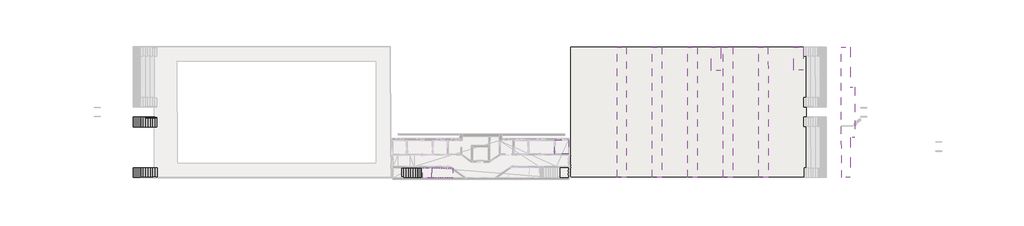
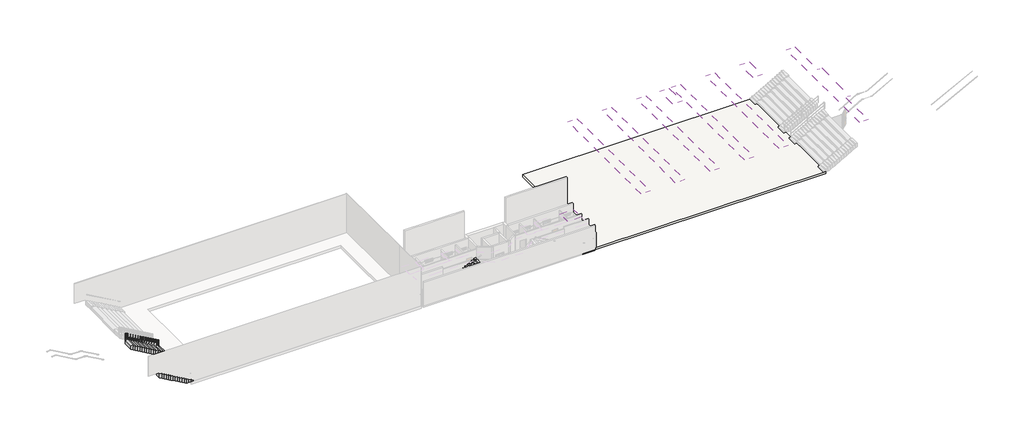
# One storey, part 3 of 6: 9 coverings, 4 stair flights, 3 slabs, 1 railing.
"""IFC4 building model written with IfcOpenShell, lengths in millimetres."""

from ifc_helpers import new_model, si_unit, frame, origin, place, context, project, spatial, polyline, circle_curve, ellipse_curve, outline, extrude, faceted_brep, element, save
from ifc_brep_helpers import plane_surface, cylinder_surface, advanced_brep

model = new_model("IFC4")

# Units and contexts
model_context = context("Model", 3, world=origin())
ifc_project = project(units=[si_unit("LENGTHUNIT", "METRE", prefix="MILLI")], contexts=[model_context])

# Site, building, storey
site = spatial("IfcSite", under=ifc_project)
building = spatial("IfcBuilding", under=site)
storey = spatial("IfcBuildingStorey", under=building, Elevation=-9747.0673671)

# Coverings
placement = place(None, origin())
element("IfcCovering", 1, at=placement, inside=storey, context=model_context, shape_type="SweptSolid", body=[
    extrude(outline(polyline([(9604.2964064, -35794.635372), (11407.055227, -35791.6307005), (11407.1770309, -37599.6399484), (9607.3896874, -37602.2938513), (9604.2964064, -35794.635372)])), frame((0.0, 0.0, -7197.0673671), z_axis=(0.0, 0.0, 1.0), x_axis=(1.0, 0.0, 0.0)), (0.0, 0.0, 1.0), 50.0),
])
element("IfcCovering", 2, at=placement, inside=storey, context=model_context, shape_type="SweptSolid", body=[
    extrude(outline(polyline([(41718.2340191, -23722.671729), (41720.6198538, -26741.2388566), (40495.8194962, -26741.2388566), (40493.4340635, -23723.1802988), (41718.2340191, -23722.671729)])), frame((0.0, 0.0, -4337.0673671), z_axis=(0.0, 0.0, 1.0), x_axis=(1.0, 0.0, 0.0)), (0.0, 0.0, 1.0), 50.0),
])
element("IfcCovering", 3, at=placement, inside=storey, context=model_context, shape_type="SweptSolid", body=[
    extrude(outline(polyline([(47805.875153, -23717.6291353), (47795.9821213, -28912.4101596), (48378.2216064, -28915.8953061), (48363.8393113, -35431.6142951), (47783.5569186, -35436.8214123), (47773.6715633, -40627.5716182), (46662.490037, -40626.1968375), (46644.2007947, -23720.3357574), (47805.875153, -23717.6291353)])), frame((0.0, 0.0, -4417.0673671), z_axis=(0.0, 0.0, 1.0), x_axis=(1.0, 0.0, 0.0)), (0.0, 0.0, 1.0), 50.0),
])
element("IfcCovering", 4, at=placement, inside=storey, context=model_context, shape_type="SweptSolid", body=[
    extrude(outline(polyline([(37148.3012067, -23724.5692876), (37177.2689962, -40615.4201438), (35952.4649623, -40614.0325039), (35923.5004248, -23725.0778577), (37148.3012067, -23724.5692876)])), frame((0.0, 0.0, -4337.0673671), z_axis=(0.0, 0.0, 1.0), x_axis=(1.0, 0.0, 0.0)), (0.0, 0.0, 1.0), 50.0),
])
element("IfcCovering", 5, at=placement, inside=storey, context=model_context, shape_type="SweptSolid", body=[
    extrude(outline(polyline([(32578.9111762, -23726.4666208), (32596.5846101, -40610.2304641), (31358.5375516, -40608.8278204), (31354.1137425, -23726.9751895), (32578.9111762, -23726.4666208)])), frame((0.0, 0.0, -4337.0673671), z_axis=(0.0, 0.0, 1.0), x_axis=(1.0, 0.0, 0.0)), (0.0, 0.0, 1.0), 50.0),
])
element("IfcCovering", 6, at=placement, inside=storey, context=model_context, shape_type="SweptSolid", body=[
    extrude(outline(polyline([(31054.1137648, -23727.0997575), (31054.9153977, -26786.2388566), (29828.1289397, -26786.2388566), (29824.9587653, -23727.6101356), (31054.1137648, -23727.0997575)])), frame((0.0, 0.0, -4337.0673671), z_axis=(0.0, 0.0, 1.0), x_axis=(1.0, 0.0, 0.0)), (0.0, 0.0, 1.0), 50.0),
])
element("IfcCovering", 7, at=placement, inside=storey, context=model_context, shape_type="SweptSolid", body=[
    extrude(outline(polyline([(27990.3717585, -23728.3719053), (28015.4386997, -40605.0402614), (26781.0551673, -40603.6417683), (26767.4653832, -23728.8796888), (27990.3717585, -23728.3719053)])), frame((0.0, 0.0, -4337.0673671), z_axis=(0.0, 0.0, 1.0), x_axis=(1.0, 0.0, 0.0)), (0.0, 0.0, 1.0), 50.0),
])
element("IfcCovering", 8, at=placement, inside=storey, context=model_context, shape_type="SweptSolid", body=[
    extrude(outline(polyline([(23426.6072494, -23730.2669026), (23431.0278424, -40599.8463597), (22188.8402664, -40598.4390251), (22190.9864177, -23730.7799655), (23426.6072494, -23730.2669026)])), frame((0.0, 0.0, -4337.0673671), z_axis=(0.0, 0.0, 1.0), x_axis=(1.0, 0.0, 0.0)), (0.0, 0.0, 1.0), 50.0),
])
element("IfcCovering", 9, at=placement, inside=storey, context=model_context, shape_type="SweptSolid", body=[
    extrude(outline(polyline([(18841.3024787, -23732.1708441), (18839.1569873, -40594.6440062), (17635.4777805, -40593.2802996), (17628.6205639, -23732.6743821), (18841.3024787, -23732.1708441)])), frame((0.0, 0.0, -4337.0673671), z_axis=(0.0, 0.0, 1.0), x_axis=(1.0, 0.0, 0.0)), (0.0, 0.0, 1.0), 50.0),
])

# Railing
element("IfcRailing", 10, at=placement, inside=storey, context=model_context, shape_type="AdvancedBrep", body=[
    advanced_brep(
    [(-42031.0162516, -32898.9733784, -8614.6159155), (-42031.278202, -32938.9725207, -8614.6159155), (-46393.9267352, -32870.4011057, -6170.0), (-46394.1886857, -32910.400248, -6170.0), (-46457.8998418, -32869.9821521, -6170.0), (-46458.1617923, -32909.9812944, -6170.0)],
    [
        (0, 1, ellipse_curve(frame((-42031.1472268, -32918.9729496, -8614.6159155), z_axis=(0.9999785566317163, -0.006548761466820562, 0.0), x_axis=(0.0, 0.0, -1.0)), 22.9254657, 20.0)),
        (1, 0, ellipse_curve(frame((-42031.1472268, -32918.9729496, -8614.6159155), z_axis=(0.9999785566317163, -0.006548761466820562, 0.0), x_axis=(0.0, 0.0, -1.0)), 22.9254657, 20.0)),
        (0, 2),
        (2, 3, ellipse_curve(frame((-46394.0577105, -32890.4006768, -6170.0), z_axis=(0.9675515515624058, -0.006336400191780274, -0.2525942301435071), x_axis=(-0.252588813672405, 0.0016541793610400299, -0.9675722995715661)), 20.67029, 20.0)),
        (3, 1),
        (3, 2, ellipse_curve(frame((-46394.0577105, -32890.4006768, -6170.0), z_axis=(0.9675515515624058, -0.006336400191780274, -0.2525942301435071), x_axis=(-0.252588813672405, 0.0016541793610400299, -0.9675722995715661)), 20.67029, 20.0)),
        (4, 5, circle_curve(frame((-46458.030817, -32889.9817232, -6170.0), z_axis=(-0.9999785566317165, 0.006548761466787735, 0.0), x_axis=(-0.006548761466787735, -0.9999785566317165, 0.0)), 20.0)),
        (5, 4, circle_curve(frame((-46458.030817, -32889.9817232, -6170.0), z_axis=(-0.9999785566317165, 0.006548761466787735, 0.0), x_axis=(-0.006548761466787735, -0.9999785566317165, 0.0)), 20.0)),
        (2, 4),
        (5, 3),
    ],
    [
        plane_surface(frame((-42031.1472268, -32918.9729496, -8614.6159155), z_axis=(0.9999785566317163, -0.006548761466820562, 0.0), x_axis=(0.006548761466820562, 0.9999785566317163, 0.0))),
        cylinder_surface(frame((-42031.1472268, -32918.9729496, -8614.6159155), z_axis=(0.8723736027668312, -0.00571308914234537, -0.48880636023692525), x_axis=(-0.006548761466820565, -0.9999785566317163, 0.0)), 20.0),
        plane_surface(frame((-46458.030817, -32889.9817232, -6170.0), z_axis=(-0.9999785566317166, 0.0065487614667877345, 0.0), x_axis=(0.0065487614667877345, 0.9999785566317166, 0.0))),
        cylinder_surface(frame((-46394.0577105, -32890.4006768, -6170.0), z_axis=(0.9999785566317165, -0.006548761466787735, 0.0), x_axis=(-0.006548761466787735, -0.9999785566317165, 0.0)), 20.0),
    ],
    [
        (0, [[1, 2]]),
        (1, [[-1, 3, 4, 5]]),
        (1, [[-2, -5, 6, -3]]),
        (2, [[7, 8]]),
        (3, [[-4, 9, -8, 10]]),
        (3, [[-6, -10, -7, -9]]),
    ],
),
    advanced_brep(
    [(-42031.278202, -32938.9725207, -8814.6159155), (-42031.0162516, -32898.9733784, -8814.6159155), (-46394.1886857, -32910.400248, -6370.0), (-46393.9267352, -32870.4011057, -6370.0), (-46458.1617923, -32909.9812944, -6370.0), (-46457.8998418, -32869.9821521, -6370.0)],
    [
        (0, 1, ellipse_curve(frame((-42031.1472268, -32918.9729496, -8814.6159155), z_axis=(0.9999785566317163, -0.006548761466820562, 0.0), x_axis=(0.0, 0.0, -1.0)), 22.9254657, 20.0)),
        (1, 0, ellipse_curve(frame((-42031.1472268, -32918.9729496, -8814.6159155), z_axis=(0.9999785566317163, -0.006548761466820562, 0.0), x_axis=(0.0, 0.0, -1.0)), 22.9254657, 20.0)),
        (0, 2),
        (2, 3, ellipse_curve(frame((-46394.0577105, -32890.4006768, -6370.0), z_axis=(0.9675515515624058, -0.006336400191780274, -0.2525942301435071), x_axis=(-0.252588813672405, 0.0016541793610400299, -0.9675722995715661)), 20.67029, 20.0)),
        (3, 1),
        (3, 2, ellipse_curve(frame((-46394.0577105, -32890.4006768, -6370.0), z_axis=(0.9675515515624058, -0.006336400191780274, -0.2525942301435071), x_axis=(-0.252588813672405, 0.0016541793610400299, -0.9675722995715661)), 20.67029, 20.0)),
        (4, 5, circle_curve(frame((-46458.030817, -32889.9817232, -6370.0), z_axis=(-0.9999785566317165, 0.006548761466787735, 0.0), x_axis=(0.006548761466787735, 0.9999785566317165, 0.0)), 20.0)),
        (5, 4, circle_curve(frame((-46458.030817, -32889.9817232, -6370.0), z_axis=(-0.9999785566317165, 0.006548761466787735, 0.0), x_axis=(0.006548761466787735, 0.9999785566317165, 0.0)), 20.0)),
        (2, 4),
        (5, 3),
    ],
    [
        plane_surface(frame((-42031.1472268, -32918.9729496, -8814.6159155), z_axis=(0.9999785566317163, -0.006548761466820562, 0.0), x_axis=(0.006548761466820562, 0.9999785566317163, 0.0))),
        cylinder_surface(frame((-42031.1472268, -32918.9729496, -8814.6159155), z_axis=(0.8723736027668312, -0.00571308914234537, -0.48880636023692525), x_axis=(0.006548761466820565, 0.9999785566317163, 0.0)), 20.0),
        plane_surface(frame((-46458.030817, -32889.9817232, -6370.0), z_axis=(-0.9999785566317166, 0.0065487614667877345, 0.0), x_axis=(0.0065487614667877345, 0.9999785566317166, 0.0))),
        cylinder_surface(frame((-46394.0577105, -32890.4006768, -6370.0), z_axis=(0.9999785566317165, -0.006548761466787735, 0.0), x_axis=(0.006548761466787735, 0.9999785566317165, 0.0)), 20.0),
    ],
    [
        (0, [[1, 2]]),
        (1, [[-1, 3, 4, 5]]),
        (1, [[-2, -5, 6, -3]]),
        (2, [[7, 8]]),
        (3, [[-4, 9, -8, 10]]),
        (3, [[-6, -10, -7, -9]]),
    ],
),
    advanced_brep(
    [(-42031.278202, -32938.9725207, -9064.6159155), (-42031.0162516, -32898.9733784, -9064.6159155), (-46394.1886857, -32910.400248, -6620.0), (-46393.9267352, -32870.4011057, -6620.0), (-46458.1617923, -32909.9812944, -6620.0), (-46457.8998418, -32869.9821521, -6620.0)],
    [
        (0, 1, ellipse_curve(frame((-42031.1472268, -32918.9729496, -9064.6159155), z_axis=(0.9999785566317163, -0.006548761466820562, 0.0), x_axis=(0.0, 0.0, -1.0)), 22.9254657, 20.0)),
        (1, 0, ellipse_curve(frame((-42031.1472268, -32918.9729496, -9064.6159155), z_axis=(0.9999785566317163, -0.006548761466820562, 0.0), x_axis=(0.0, 0.0, -1.0)), 22.9254657, 20.0)),
        (0, 2),
        (2, 3, ellipse_curve(frame((-46394.0577105, -32890.4006768, -6620.0), z_axis=(0.9675515515624058, -0.006336400191780274, -0.2525942301435071), x_axis=(-0.252588813672405, 0.0016541793610400299, -0.9675722995715661)), 20.67029, 20.0)),
        (3, 1),
        (3, 2, ellipse_curve(frame((-46394.0577105, -32890.4006768, -6620.0), z_axis=(0.9675515515624058, -0.006336400191780274, -0.2525942301435071), x_axis=(-0.252588813672405, 0.0016541793610400299, -0.9675722995715661)), 20.67029, 20.0)),
        (4, 5, circle_curve(frame((-46458.030817, -32889.9817232, -6620.0), z_axis=(-0.9999785566317165, 0.006548761466787735, 0.0), x_axis=(0.006548761466787735, 0.9999785566317165, 0.0)), 20.0)),
        (5, 4, circle_curve(frame((-46458.030817, -32889.9817232, -6620.0), z_axis=(-0.9999785566317165, 0.006548761466787735, 0.0), x_axis=(0.006548761466787735, 0.9999785566317165, 0.0)), 20.0)),
        (2, 4),
        (5, 3),
    ],
    [
        plane_surface(frame((-42031.1472268, -32918.9729496, -9064.6159155), z_axis=(0.9999785566317163, -0.006548761466820562, 0.0), x_axis=(0.006548761466820562, 0.9999785566317163, 0.0))),
        cylinder_surface(frame((-42031.1472268, -32918.9729496, -9064.6159155), z_axis=(0.8723736027668312, -0.00571308914234537, -0.48880636023692525), x_axis=(0.006548761466820565, 0.9999785566317163, 0.0)), 20.0),
        plane_surface(frame((-46458.030817, -32889.9817232, -6620.0), z_axis=(-0.9999785566317166, 0.0065487614667877345, 0.0), x_axis=(0.0065487614667877345, 0.9999785566317166, 0.0))),
        cylinder_surface(frame((-46394.0577105, -32890.4006768, -6620.0), z_axis=(0.9999785566317165, -0.006548761466787735, 0.0), x_axis=(0.006548761466787735, 0.9999785566317165, 0.0)), 20.0),
    ],
    [
        (0, [[1, 2]]),
        (1, [[-1, 3, 4, 5]]),
        (1, [[-2, -5, 6, -3]]),
        (2, [[7, 8]]),
        (3, [[-4, 9, -8, 10]]),
        (3, [[-6, -10, -7, -9]]),
    ],
),
    advanced_brep(
    [(-42031.278202, -32938.9725207, -9284.6159155), (-42031.0162516, -32898.9733784, -9284.6159155), (-46394.1886857, -32910.400248, -6840.0), (-46393.9267352, -32870.4011057, -6840.0), (-46458.1617923, -32909.9812944, -6840.0), (-46457.8998418, -32869.9821521, -6840.0)],
    [
        (0, 1, ellipse_curve(frame((-42031.1472268, -32918.9729496, -9284.6159155), z_axis=(0.9999785566317163, -0.006548761466820562, 0.0), x_axis=(0.0, 0.0, -1.0)), 22.9254657, 20.0)),
        (1, 0, ellipse_curve(frame((-42031.1472268, -32918.9729496, -9284.6159155), z_axis=(0.9999785566317163, -0.006548761466820562, 0.0), x_axis=(0.0, 0.0, -1.0)), 22.9254657, 20.0)),
        (0, 2),
        (2, 3, ellipse_curve(frame((-46394.0577105, -32890.4006768, -6840.0), z_axis=(0.9675515515624058, -0.006336400191780274, -0.2525942301435071), x_axis=(-0.252588813672405, 0.0016541793610400299, -0.9675722995715661)), 20.67029, 20.0)),
        (3, 1),
        (3, 2, ellipse_curve(frame((-46394.0577105, -32890.4006768, -6840.0), z_axis=(0.9675515515624058, -0.006336400191780274, -0.2525942301435071), x_axis=(-0.252588813672405, 0.0016541793610400299, -0.9675722995715661)), 20.67029, 20.0)),
        (4, 5, circle_curve(frame((-46458.030817, -32889.9817232, -6840.0), z_axis=(-0.9999785566317165, 0.006548761466787735, 0.0), x_axis=(0.006548761466787735, 0.9999785566317165, 0.0)), 20.0)),
        (5, 4, circle_curve(frame((-46458.030817, -32889.9817232, -6840.0), z_axis=(-0.9999785566317165, 0.006548761466787735, 0.0), x_axis=(0.006548761466787735, 0.9999785566317165, 0.0)), 20.0)),
        (2, 4),
        (5, 3),
    ],
    [
        plane_surface(frame((-42031.1472268, -32918.9729496, -9284.6159155), z_axis=(0.9999785566317163, -0.006548761466820562, 0.0), x_axis=(0.006548761466820562, 0.9999785566317163, 0.0))),
        cylinder_surface(frame((-42031.1472268, -32918.9729496, -9284.6159155), z_axis=(0.8723736027668312, -0.00571308914234537, -0.48880636023692525), x_axis=(0.006548761466820565, 0.9999785566317163, 0.0)), 20.0),
        plane_surface(frame((-46458.030817, -32889.9817232, -6840.0), z_axis=(-0.9999785566317166, 0.0065487614667877345, 0.0), x_axis=(0.0065487614667877345, 0.9999785566317166, 0.0))),
        cylinder_surface(frame((-46394.0577105, -32890.4006768, -6840.0), z_axis=(0.9999785566317165, -0.006548761466787735, 0.0), x_axis=(0.006548761466787735, 0.9999785566317165, 0.0)), 20.0),
    ],
    [
        (0, [[1, 2]]),
        (1, [[-1, 3, 4, 5]]),
        (1, [[-2, -5, 6, -3]]),
        (2, [[7, 8]]),
        (3, [[-4, 9, -8, 10]]),
        (3, [[-6, -10, -7, -9]]),
    ],
),
    advanced_brep(
    [(-44244.4580953, -32884.485187, -7397.3107919), (-44244.4580953, -32884.485187, -8483.5336835), (-44264.5811713, -32904.3464098, -8483.5336835), (-44244.7199485, -32924.4694858, -8483.5336835), (-44244.7199485, -32924.4694858, -7397.3107919), (-44264.5811713, -32904.3464098, -7386.1088369), (-44224.5968725, -32904.608263, -7408.5127468), (-44224.5968725, -32904.608263, -8483.5336835)],
    [
        (0, 1),
        (1, 2, circle_curve(frame((-44244.5890219, -32904.4773364, -8483.5336835), z_axis=(0.0, 0.0, 1.0), x_axis=(-0.006548761466821359, -0.9999785566317163, 0.0)), 19.9925781)),
        (2, 3, circle_curve(frame((-44244.5890219, -32904.4773364, -8483.5336835), z_axis=(0.0, 0.0, 1.0), x_axis=(-0.006548761466821359, -0.9999785566317163, 0.0)), 19.9925781)),
        (3, 4),
        (4, 5, ellipse_curve(frame((-44244.5890219, -32904.4773364, -7397.3107919), z_axis=(-0.4887958785821217, 0.003201076256656766, -0.8723923097964189), x_axis=(-0.8723736027668322, 0.00571308914234607, 0.4888063602369233)), 22.9169582, 19.9925781)),
        (5, 0, ellipse_curve(frame((-44244.5890219, -32904.4773364, -7397.3107919), z_axis=(-0.4887958785821217, 0.003201076256656766, -0.8723923097964189), x_axis=(-0.8723736027668322, 0.00571308914234607, 0.4888063602369233)), 22.9169582, 19.9925781)),
        (0, 6, ellipse_curve(frame((-44244.5890219, -32904.4773364, -7397.3107919), z_axis=(-0.4887958785821217, 0.003201076256656766, -0.8723923097964189), x_axis=(-0.8723736027668322, 0.00571308914234607, 0.4888063602369233)), 22.9169582, 19.9925781)),
        (6, 4, ellipse_curve(frame((-44244.5890219, -32904.4773364, -7397.3107919), z_axis=(-0.4887958785821217, 0.003201076256656766, -0.8723923097964189), x_axis=(-0.8723736027668322, 0.00571308914234607, 0.4888063602369233)), 22.9169582, 19.9925781)),
        (3, 7, circle_curve(frame((-44244.5890219, -32904.4773364, -8483.5336835), z_axis=(0.0, 0.0, 1.0), x_axis=(-0.006548761466821359, -0.9999785566317163, 0.0)), 19.9925781)),
        (7, 1, circle_curve(frame((-44244.5890219, -32904.4773364, -8483.5336835), z_axis=(0.0, 0.0, 1.0), x_axis=(-0.006548761466821359, -0.9999785566317163, 0.0)), 19.9925781)),
    ],
    [
        cylinder_surface(frame((-44244.5890219, -32904.4773364, -8712.1336835), z_axis=(0.0, 0.0, 1.0), x_axis=(-0.006548761466821359, -0.9999785566317163, 0.0)), 19.9925781),
        plane_surface(frame((-44264.712098, -32924.3385592, -7386.1088369), z_axis=(0.4887958785821217, -0.003201076256656766, 0.8723923097964189), x_axis=(0.006548761466821359, 0.9999785566317163, 0.0))),
        plane_surface(frame((-44224.7277991, -32924.6004124, -8483.5336835), z_axis=(0.0, 0.0, -1.0), x_axis=(0.006548761466821359, 0.9999785566317163, 0.0))),
    ],
    [
        (0, [[1, 2, 3, 4, 5, 6]]),
        (0, [[-1, 7, 8, -4, 9, 10]]),
        (1, [[-6, -5, -8, -7]]),
        (2, [[-2, -10, -9, -3]]),
    ],
),
    advanced_brep(
    [(-46457.8998904, -32869.9895738, -6190.0), (-46457.8998904, -32869.9895738, -7120.0), (-46478.0229664, -32889.8507966, -7120.0), (-46458.1617437, -32909.9738726, -7120.0), (-46458.1617437, -32909.9738726, -6190.0), (-46478.0229664, -32889.8507966, -6190.0), (-46438.0386676, -32890.1126499, -6190.0), (-46438.0386676, -32890.1126499, -7120.0)],
    [
        (0, 1),
        (1, 2, circle_curve(frame((-46458.030817, -32889.9817232, -7120.0), z_axis=(0.0, 0.0, 1.0), x_axis=(-0.006548761466821359, -0.9999785566317163, 0.0)), 19.9925781)),
        (2, 3, circle_curve(frame((-46458.030817, -32889.9817232, -7120.0), z_axis=(0.0, 0.0, 1.0), x_axis=(-0.006548761466821359, -0.9999785566317163, 0.0)), 19.9925781)),
        (3, 4),
        (4, 5, circle_curve(frame((-46458.030817, -32889.9817232, -6190.0), z_axis=(0.0, 0.0, -1.0), x_axis=(-0.006548761466821359, -0.9999785566317163, 0.0)), 19.9925781)),
        (5, 0, circle_curve(frame((-46458.030817, -32889.9817232, -6190.0), z_axis=(0.0, 0.0, -1.0), x_axis=(-0.006548761466821359, -0.9999785566317163, 0.0)), 19.9925781)),
        (0, 6, circle_curve(frame((-46458.030817, -32889.9817232, -6190.0), z_axis=(0.0, 0.0, -1.0), x_axis=(-0.006548761466821359, -0.9999785566317163, 0.0)), 19.9925781)),
        (6, 4, circle_curve(frame((-46458.030817, -32889.9817232, -6190.0), z_axis=(0.0, 0.0, -1.0), x_axis=(-0.006548761466821359, -0.9999785566317163, 0.0)), 19.9925781)),
        (3, 7, circle_curve(frame((-46458.030817, -32889.9817232, -7120.0), z_axis=(0.0, 0.0, 1.0), x_axis=(-0.006548761466821359, -0.9999785566317163, 0.0)), 19.9925781)),
        (7, 1, circle_curve(frame((-46458.030817, -32889.9817232, -7120.0), z_axis=(0.0, 0.0, 1.0), x_axis=(-0.006548761466821359, -0.9999785566317163, 0.0)), 19.9925781)),
    ],
    [
        cylinder_surface(frame((-46458.030817, -32889.9817232, -7348.6), z_axis=(0.0, 0.0, 1.0), x_axis=(-0.006548761466821359, -0.9999785566317163, 0.0)), 19.9925781),
        plane_surface(frame((-46478.1538931, -32909.842946, -6190.0), z_axis=(0.0, 0.0, 1.0), x_axis=(0.006548761466821359, 0.9999785566317163, 0.0))),
        plane_surface(frame((-46438.1695942, -32910.1047993, -7120.0), z_axis=(0.0, 0.0, -1.0), x_axis=(0.006548761466821359, 0.9999785566317163, 0.0))),
    ],
    [
        (0, [[1, 2, 3, 4, 5, 6]]),
        (0, [[-1, 7, 8, -4, 9, 10]]),
        (1, [[-6, -5, -8, -7]]),
        (2, [[-2, -10, -9, -3]]),
    ],
),
    advanced_brep(
    [(-42031.0163002, -32898.9808002, -8637.5413812), (-42031.0163002, -32898.9808002, -9676.6256566), (-42051.1393762, -32918.8420229, -9676.6256566), (-42031.2781534, -32938.965099, -9676.6256566), (-42031.2781534, -32938.965099, -8637.5413812), (-42051.1393762, -32918.8420229, -8626.3394262), (-42011.1550774, -32919.1038762, -8648.7433361), (-42011.1550774, -32919.1038762, -9676.6256566)],
    [
        (0, 1),
        (1, 2, circle_curve(frame((-42031.1472268, -32918.9729496, -9676.6256566), z_axis=(0.0, 0.0, 1.0), x_axis=(-0.006548761466821359, -0.9999785566317163, 0.0)), 19.9925781)),
        (2, 3, circle_curve(frame((-42031.1472268, -32918.9729496, -9676.6256566), z_axis=(0.0, 0.0, 1.0), x_axis=(-0.006548761466821359, -0.9999785566317163, 0.0)), 19.9925781)),
        (3, 4),
        (4, 5, ellipse_curve(frame((-42031.1472268, -32918.9729496, -8637.5413812), z_axis=(-0.4887958785821195, 0.003201076256656751, -0.8723923097964201), x_axis=(-0.8723736027668333, 0.005713089142346078, 0.4888063602369212)), 22.9169582, 19.9925781)),
        (5, 0, ellipse_curve(frame((-42031.1472268, -32918.9729496, -8637.5413812), z_axis=(-0.4887958785821195, 0.003201076256656751, -0.8723923097964201), x_axis=(-0.8723736027668333, 0.005713089142346078, 0.4888063602369212)), 22.9169582, 19.9925781)),
        (0, 6, ellipse_curve(frame((-42031.1472268, -32918.9729496, -8637.5413812), z_axis=(-0.4887958785821195, 0.003201076256656751, -0.8723923097964201), x_axis=(-0.8723736027668333, 0.005713089142346078, 0.4888063602369212)), 22.9169582, 19.9925781)),
        (6, 4, ellipse_curve(frame((-42031.1472268, -32918.9729496, -8637.5413812), z_axis=(-0.4887958785821195, 0.003201076256656751, -0.8723923097964201), x_axis=(-0.8723736027668333, 0.005713089142346078, 0.4888063602369212)), 22.9169582, 19.9925781)),
        (3, 7, circle_curve(frame((-42031.1472268, -32918.9729496, -9676.6256566), z_axis=(0.0, 0.0, 1.0), x_axis=(-0.006548761466821359, -0.9999785566317163, 0.0)), 19.9925781)),
        (7, 1, circle_curve(frame((-42031.1472268, -32918.9729496, -9676.6256566), z_axis=(0.0, 0.0, 1.0), x_axis=(-0.006548761466821359, -0.9999785566317163, 0.0)), 19.9925781)),
    ],
    [
        cylinder_surface(frame((-42031.1472268, -32918.9729496, -9905.2256566), z_axis=(0.0, 0.0, 1.0), x_axis=(-0.006548761466821359, -0.9999785566317163, 0.0)), 19.9925781),
        plane_surface(frame((-42051.2703028, -32938.8341724, -8626.3394262), z_axis=(0.4887958785821195, -0.003201076256656751, 0.8723923097964201), x_axis=(0.006548761466821359, 0.9999785566317163, 0.0))),
        plane_surface(frame((-42011.286004, -32939.0960256, -9676.6256566), z_axis=(0.0, 0.0, -1.0), x_axis=(0.006548761466821359, 0.9999785566317163, 0.0))),
    ],
    [
        (0, [[1, 2, 3, 4, 5, 6]]),
        (0, [[-1, 7, 8, -4, 9, 10]]),
        (1, [[-6, -5, -8, -7]]),
        (2, [[-2, -10, -9, -3]]),
    ],
),
])

# Slabs
element("IfcSlab", 11, at=placement, inside=storey, context=model_context, shape_type="SweptSolid", body=[
    extrude(outline(polyline([(42081.555864, -23722.520868), (42121.4934762, -40621.0216959), (11637.3782523, -40586.4847614), (11636.2429949, -23735.1625778), (42081.555864, -23722.520868)])), frame((0.0, 0.0, -10017.0673671), z_axis=(0.0, 0.0, 1.0), x_axis=(1.0, 0.0, 0.0)), (0.0, 0.0, 1.0), 300.0),
])
element("IfcSlab", 12, at=placement, inside=storey, context=model_context, shape_type="SweptSolid", body=[
    extrude(outline(polyline([(11407.2851476, -39204.4833372), (11407.3829946, -40656.8861299), (9836.0404921, -40658.038044), (9836.0404921, -39205.433996), (11407.2851476, -39204.4833372)])), frame((0.0, 0.0, -10017.0673671), z_axis=(0.0, 0.0, 1.0), x_axis=(1.0, 0.0, 0.0)), (0.0, 0.0, 1.0), 300.0),
])
element("IfcSlab", 13, ObjectType="7\" Thickness", at=placement, inside=storey, context=model_context, shape_type="Brep", body=[
    faceted_brep([(-7520.0930247, -39360.5953297, -8064.0336835), (-7520.0930247, -40676.3403344, -8064.0336835), (-7539.1430247, -40676.3403344, -8064.0336835), (-7539.1430247, -40680.4222804, -8064.0336835), (-6339.1430247, -40680.4222804, -8064.0336835), (-6320.0930247, -40680.4222804, -8064.0336835), (-6320.0930247, -39362.7170737, -8064.0336835), (-6339.1430247, -39362.7170737, -8064.0336835), (-6339.1430247, -39360.5953297, -8064.0336835), (-7128.3193151, -39360.5953297, -8064.0336835), (-6339.1430247, -39362.7170737, -8241.8336835), (-6339.1430247, -39360.5953297, -8241.8336835), (-7128.3193151, -40676.3403344, -8241.8336835), (-7128.3193151, -39360.5953297, -8241.8336835), (-6320.0930247, -39362.7170737, -8241.8336835), (-6320.0930247, -40680.4222804, -8241.8336835), (-6339.1430247, -40680.4222804, -8241.8336835), (-7539.1430247, -40680.4222804, -8241.8336835), (-7539.1430247, -40676.3403344, -8241.8336835), (-7520.0930247, -40676.3403344, -8241.8336835), (-7520.0930247, -40676.3403344, -8459.0113086), (-7520.0930247, -39360.5953297, -8459.0113086), (-7520.0930247, -39360.5953297, -8230.3370519), (-7520.0930247, -40676.3403344, -8230.3370519)], [[[0, 1, 2, 3, 4, 5, 6, 7, 8, 9]], [[8, 7, 10, 11]], [[12, 13, 11, 10, 14, 15, 16, 17, 18, 19]], [[13, 12, 20, 21]], [[12, 19, 20]], [[1, 0, 22, 21, 20, 19, 23]], [[3, 2, 18, 17]], [[21, 22, 0, 9, 8, 11, 13]], [[4, 3, 17, 16]], [[5, 4, 16, 15]], [[6, 5, 15, 14]], [[7, 6, 14, 10]], [[2, 1, 23, 19, 18]]]),
])

# Stair flights
element("IfcStairFlight", 14, at=placement, inside=storey, context=model_context, shape_type="Brep", body=[
    faceted_brep([(-42154.1649153, -34087.161185, -9576.6256566), (-41869.8736485, -34088.9920441, -9576.6256566), (-41869.8736485, -32830.0280422, -9576.6256566), (-42154.1530528, -32828.1663243, -9576.6256566), (-42154.1649153, -34087.161185, -9747.0673671), (-41869.8736485, -34088.9920441, -9747.0673671), (-41869.8736485, -32830.0280422, -9747.0673671), (-42154.1530528, -32828.1663243, -9747.0673671), (-42471.1236421, -34085.1199448, -9406.1839462), (-42154.1649153, -34087.161185, -9406.1839462), (-42154.1530528, -32828.1663243, -9406.1839462), (-42471.1236421, -32826.090515, -9406.1839462), (-42471.1236421, -34085.1199448, -9747.0673671), (-42471.1236421, -32826.090515, -9747.0673671), (-42746.7148951, -34083.3451145, -9235.7422357), (-42471.1236421, -34085.1199448, -9235.7422357), (-42471.1236421, -32826.090515, -9235.7422357), (-42746.7148951, -32824.2856949, -9235.7422357), (-42746.7148951, -34083.3451145, -9747.0673671), (-42746.7148951, -32824.2856949, -9747.0673671), (-43072.3736485, -34081.2478454, -9065.3005253), (-42746.7148951, -34083.3451145, -9065.3005253), (-42746.7148951, -32824.2856949, -9065.3005253), (-43072.3736485, -32822.1529877, -9065.3005253), (-43072.3736485, -34081.2478454, -9586.5332719), (-42787.2039107, -34083.0843619, -9747.0673671), (-42787.2039107, -32824.0205363, -9747.0673671), (-43072.3736485, -32822.1529877, -9586.5332719), (-43365.4052683, -34079.3606977, -8894.8588149), (-43072.3736485, -34081.2478454, -8894.8588149), (-43072.3736485, -32822.1529877, -8894.8588149), (-43365.4052683, -32820.2339524, -8894.8588149), (-43365.4052683, -34079.3606977, -9421.573391), (-43365.4052683, -32820.2339524, -9421.573391), (-43679.8736549, -34077.3354955, -8724.4171044), (-43365.4052683, -34079.3606977, -8724.4171044), (-43365.4052683, -32820.2339524, -8724.4171044), (-43679.8736549, -32818.1745297, -8724.4171044), (-43679.8736549, -34077.3354955, -9244.5458484), (-43679.8736549, -32818.1745297, -9244.5458484), (-43977.5290386, -34075.4185704, -8553.975394), (-43679.8736549, -34077.3354955, -8553.975394), (-43679.8736549, -32818.1745297, -8553.975394), (-43977.5290386, -32816.2252138, -8553.975394), (-43977.5290386, -34075.4185704, -9076.9830555), (-43977.5290386, -32816.2252138, -9076.9830555), (-44279.8736612, -34073.4714462, -8383.5336835), (-43977.5290386, -34075.4185704, -8383.5336835), (-43977.5290386, -32816.2252138, -8383.5336835), (-44279.8736612, -32814.2451886, -8383.5336835), (-44279.8736612, -34073.4714462, -8906.7804919), (-44279.8736612, -32814.2451886, -8906.7804919), (-44579.335314, -34071.5428886, -8213.0919731), (-44279.8736612, -34073.4714462, -8213.0919731), (-44279.8736612, -32814.2451886, -8213.0919731), (-44579.335314, -32812.2840436, -8213.0919731), (-44579.335314, -34071.5428886, -8738.2008738), (-44579.335314, -32812.2840436, -8738.2008738), (-44882.3736676, -34069.5912967, -8042.6502626), (-44579.335314, -34071.5428886, -8042.6502626), (-44579.335314, -32812.2840436, -8042.6502626), (-44882.3736676, -32810.2994751, -8042.6502626), (-44882.3736676, -34069.5912967, -8567.6077797), (-44882.3736676, -32810.2994751, -8567.6077797), (-45179.9229011, -34067.6750552, -7872.2085522), (-44882.3736676, -34069.5912967, -7872.2085522), (-44882.3736676, -32810.2994751, -7872.2085522), (-45179.9229011, -32808.3508544, -7872.2085522), (-45179.9229011, -34067.6750552, -8400.1047432), (-45179.9229011, -32808.3508544, -8400.1047432), (-45484.873674, -34065.7111472, -7701.7668418), (-45179.9229011, -34067.6750552, -7701.7668418), (-45179.9229011, -32808.3508544, -7701.7668418), (-45484.873674, -32806.3537617, -7701.7668418), (-45484.873674, -34065.7111472, -8228.4350675), (-45484.873674, -32806.3537617, -8228.4350675), (-45782.6727462, -34063.7932968, -7531.3251313), (-45484.873674, -34065.7111472, -7531.3251313), (-45484.873674, -32806.3537617, -7531.3251313), (-45782.6727462, -32804.4035048, -7531.3251313), (-45782.6727462, -34063.7932968, -8060.7913863), (-45782.6727462, -32804.4035048, -8060.7913863), (-46087.3736803, -34061.8309977, -7360.8834209), (-45782.6727462, -34063.7932968, -7360.8834209), (-45782.6727462, -32804.4035048, -7360.8834209), (-46087.3736803, -32802.4080483, -7360.8834209), (-46087.3736803, -34061.8309977, -7889.2623553), (-46087.3736803, -32802.4080483, -7889.2623553), (-46392.3652263, -34059.8668271, -7190.4417104), (-46087.3736803, -34061.8309977, -7190.4417104), (-46087.3736803, -32802.4080483, -7190.4417104), (-46393.775048, -32800.4014558, -7190.4417104), (-46392.3652263, -34059.8668271, -7717.5697267), (-46393.775048, -32800.4014558, -7716.7760785)], [[[0, 1, 2, 3]], [[1, 0, 4, 5]], [[2, 1, 5, 6]], [[3, 2, 6, 7]], [[8, 9, 10, 11]], [[4, 0, 9, 8, 12]], [[0, 3, 10, 9]], [[3, 7, 13, 11, 10]], [[14, 15, 16, 17]], [[12, 8, 15, 14, 18]], [[8, 11, 16, 15]], [[11, 13, 19, 17, 16]], [[20, 21, 22, 23]], [[18, 14, 21, 20, 24, 25]], [[14, 17, 22, 21]], [[17, 19, 26, 27, 23, 22]], [[28, 29, 30, 31]], [[29, 28, 32, 24, 20]], [[20, 23, 30, 29]], [[31, 30, 23, 27, 33]], [[34, 35, 36, 37]], [[35, 34, 38, 32, 28]], [[28, 31, 36, 35]], [[37, 36, 31, 33, 39]], [[40, 41, 42, 43]], [[41, 40, 44, 38, 34]], [[34, 37, 42, 41]], [[43, 42, 37, 39, 45]], [[46, 47, 48, 49]], [[47, 46, 50, 44, 40]], [[40, 43, 48, 47]], [[49, 48, 43, 45, 51]], [[52, 53, 54, 55]], [[53, 52, 56, 50, 46]], [[46, 49, 54, 53]], [[55, 54, 49, 51, 57]], [[58, 59, 60, 61]], [[59, 58, 62, 56, 52]], [[52, 55, 60, 59]], [[61, 60, 55, 57, 63]], [[64, 65, 66, 67]], [[65, 64, 68, 62, 58]], [[58, 61, 66, 65]], [[67, 66, 61, 63, 69]], [[70, 71, 72, 73]], [[71, 70, 74, 68, 64]], [[64, 67, 72, 71]], [[73, 72, 67, 69, 75]], [[76, 77, 78, 79]], [[77, 76, 80, 74, 70]], [[70, 73, 78, 77]], [[79, 78, 73, 75, 81]], [[82, 83, 84, 85]], [[83, 82, 86, 80, 76]], [[76, 79, 84, 83]], [[85, 84, 79, 81, 87]], [[88, 89, 90, 91]], [[89, 88, 92, 86, 82]], [[82, 85, 90, 89]], [[91, 90, 85, 87, 93]], [[88, 91, 93, 92]], [[5, 4, 12, 18, 25, 26, 19, 13, 7, 6]], [[26, 25, 24, 32, 38, 44, 50, 56, 62, 68, 74, 80, 86, 92, 93, 87, 81, 75, 69, 63, 57, 51, 45, 39, 33, 27]]]),
])
element("IfcStairFlight", 15, at=placement, inside=storey, context=model_context, shape_type="Brep", body=[
    faceted_brep([(-42154.2148949, -40637.7000288, -9576.6256566), (-41854.3740519, -40638.044572, -9576.6256566), (-41854.3740519, -39392.002685, -9576.6256566), (-42154.2148949, -39391.611175, -9576.6256566), (-42154.2148949, -40637.7000288, -9747.0673671), (-41854.3740519, -40638.044572, -9747.0673671), (-41854.3740519, -39392.002685, -9747.0673671), (-42154.2148949, -39391.611175, -9747.0673671), (-42465.6240517, -40637.3421927, -9406.1839462), (-42154.2148949, -40637.7000288, -9406.1839462), (-42154.2148949, -39391.611175, -9406.1839462), (-42465.6240517, -39391.2045599, -9406.1839462), (-42465.6240517, -40637.3421927, -9747.0673671), (-42465.6240517, -39391.2045599, -9747.0673671), (-42746.7148951, -40637.0191949, -9235.7422357), (-42465.6240517, -40637.3421927, -9235.7422357), (-42465.6240517, -39391.2045599, -9235.7422357), (-42746.7148951, -39390.8375322, -9235.7422357), (-42746.7148951, -40637.0191949, -9747.0673671), (-42746.7148951, -39390.8375322, -9747.0673671), (-43056.8740519, -40636.6627951, -9065.3005253), (-42746.7148951, -40637.0191949, -9065.3005253), (-42746.7148951, -39390.8375322, -9065.3005253), (-43056.8740519, -39390.4325493, -9065.3005253), (-43056.8740519, -40636.6627951, -9587.5224395), (-42772.9533689, -40636.9890446, -9747.0673671), (-42772.9533689, -39390.803272, -9747.0673671), (-43056.8740519, -39390.4325493, -9587.5224395), (-43365.4052683, -40636.308266, -8894.8588149), (-43056.8740519, -40636.6627951, -8894.8588149), (-43056.8740519, -39390.4325493, -8894.8588149), (-43365.4052683, -39390.029692, -8894.8588149), (-43365.4052683, -40636.308266, -9414.1479955), (-43365.4052683, -39390.029692, -9414.1479955), (-43693.4740521, -40635.9312865, -8724.4171044), (-43365.4052683, -40636.308266, -8724.4171044), (-43365.4052683, -39390.029692, -8724.4171044), (-43693.4740521, -39389.601324, -8724.4171044), (-43693.4740521, -40635.9312865, -9229.7947113), (-43693.4740521, -39389.601324, -9229.7947113), (-43965.4053436, -40635.6188138, -8553.975394), (-43693.4740521, -40635.9312865, -8553.975394), (-43693.4740521, -39389.601324, -8553.975394), (-43965.4053436, -39389.2462562, -8553.975394), (-43965.4053436, -40635.6188138, -9076.9870407), (-43965.4053436, -39389.2462562, -9076.9870407), (-44274.3740523, -40635.263782, -8383.5336835), (-43965.4053436, -40635.6188138, -8383.5336835), (-43965.4053436, -39389.2462562, -8383.5336835), (-44274.3740523, -39388.8428276, -8383.5336835), (-44274.3740523, -40635.263782, -8903.3667545), (-44274.3740523, -39388.8428276, -8903.3667545), (-44552.9055156, -40634.9437251, -8213.0919731), (-44274.3740523, -40635.263782, -8213.0919731), (-44274.3740523, -39388.8428276, -8213.0919731), (-44552.9055156, -39388.4791418, -8213.0919731), (-44552.9055156, -40634.9437251, -8746.8502173), (-44552.9055156, -39388.4791418, -8746.8502173), (-44857.7740525, -40634.5934047, -8042.6502626), (-44552.9055156, -40634.9437251, -8042.6502626), (-44552.9055156, -39388.4791418, -8042.6502626), (-44857.7740525, -39388.081067, -8042.6502626), (-44857.7740525, -40634.5934047, -8575.5339606), (-44857.7740525, -39388.081067, -8575.5339606), (-45157.905453, -40634.2485277, -7872.2085522), (-44857.7740525, -40634.5934047, -7872.2085522), (-44857.7740525, -39388.081067, -7872.2085522), (-45157.905453, -39387.6891775, -7872.2085522), (-45157.905453, -40634.2485277, -8406.8796658), (-45157.905453, -39387.6891775, -8406.8796658), (-45450.2740527, -40633.9125708, -7701.7668418), (-45157.905453, -40634.2485277, -7701.7668418), (-45157.905453, -39387.6891775, -7701.7668418), (-45450.2740527, -39387.3074242, -7701.7668418), (-45450.2740527, -40633.9125708, -8242.5875594), (-45450.2740527, -39387.3074242, -8242.5875594), (-45762.9054245, -40633.5533303, -7531.3251313), (-45450.2740527, -40633.9125708, -7531.3251313), (-45450.2740527, -39387.3074242, -7531.3251313), (-45762.9054245, -39386.8992132, -7531.3251313), (-45762.9054245, -40633.5533303, -8066.9090952), (-45762.9054245, -39386.8992132, -8066.9090952), (-46046.8740528, -40633.2270257, -7360.8834209), (-45762.9054245, -40633.5533303, -7360.8834209), (-45762.9054245, -39386.8992132, -7360.8834209), (-46046.8740528, -39386.5284279, -7360.8834209), (-46046.8740528, -40633.2270257, -7907.3372254), (-46046.8740528, -39386.5284279, -7907.3372254), (-46385.0074151, -40632.8384811, -7190.4417104), (-46046.8740528, -40633.2270257, -7190.4417104), (-46046.8740528, -39386.5284279, -7190.4417104), (-46386.4030308, -39386.085096, -7190.4417104), (-46385.0074151, -40632.8384811, -7717.3283039), (-46386.4030308, -39386.085096, -7716.5440588)], [[[0, 1, 2, 3]], [[1, 0, 4, 5]], [[2, 1, 5, 6]], [[3, 2, 6, 7]], [[8, 9, 10, 11]], [[4, 0, 9, 8, 12]], [[0, 3, 10, 9]], [[3, 7, 13, 11, 10]], [[14, 15, 16, 17]], [[12, 8, 15, 14, 18]], [[8, 11, 16, 15]], [[11, 13, 19, 17, 16]], [[20, 21, 22, 23]], [[18, 14, 21, 20, 24, 25]], [[14, 17, 22, 21]], [[17, 19, 26, 27, 23, 22]], [[28, 29, 30, 31]], [[29, 28, 32, 24, 20]], [[20, 23, 30, 29]], [[31, 30, 23, 27, 33]], [[34, 35, 36, 37]], [[35, 34, 38, 32, 28]], [[28, 31, 36, 35]], [[37, 36, 31, 33, 39]], [[40, 41, 42, 43]], [[41, 40, 44, 38, 34]], [[34, 37, 42, 41]], [[43, 42, 37, 39, 45]], [[46, 47, 48, 49]], [[47, 46, 50, 44, 40]], [[40, 43, 48, 47]], [[49, 48, 43, 45, 51]], [[52, 53, 54, 55]], [[53, 52, 56, 50, 46]], [[46, 49, 54, 53]], [[55, 54, 49, 51, 57]], [[58, 59, 60, 61]], [[59, 58, 62, 56, 52]], [[52, 55, 60, 59]], [[61, 60, 55, 57, 63]], [[64, 65, 66, 67]], [[65, 64, 68, 62, 58]], [[58, 61, 66, 65]], [[67, 66, 61, 63, 69]], [[70, 71, 72, 73]], [[71, 70, 74, 68, 64]], [[64, 67, 72, 71]], [[73, 72, 67, 69, 75]], [[76, 77, 78, 79]], [[77, 76, 80, 74, 70]], [[70, 73, 78, 77]], [[79, 78, 73, 75, 81]], [[82, 83, 84, 85]], [[83, 82, 86, 80, 76]], [[76, 79, 84, 83]], [[85, 84, 79, 81, 87]], [[88, 89, 90, 91]], [[89, 88, 92, 86, 82]], [[82, 85, 90, 89]], [[91, 90, 85, 87, 93]], [[88, 91, 93, 92]], [[5, 4, 12, 18, 25, 26, 19, 13, 7, 6]], [[26, 25, 24, 32, 38, 44, 50, 56, 62, 68, 74, 80, 86, 92, 93, 87, 81, 75, 69, 63, 57, 51, 45, 39, 33, 27]]]),
])
element("IfcStairFlight", 16, at=placement, inside=storey, context=model_context, shape_type="Brep", body=[
    faceted_brep([(-9920.0930247, -39360.5953297, -9560.7639987), (-10220.0930247, -39360.5953297, -9560.7639987), (-10220.0930247, -40676.3403344, -9560.7639987), (-9920.0930247, -40676.3403344, -9560.7639987), (-9920.0930247, -39360.5953297, -9727.0673671), (-10220.0930247, -39360.5953297, -9727.0673671), (-10220.0930247, -40676.3403344, -9727.0673671), (-9920.0930247, -40676.3403344, -9727.0673671), (-9620.0930247, -39360.5953297, -9394.4606304), (-9920.0930247, -39360.5953297, -9394.4606304), (-9920.0930247, -40676.3403344, -9394.4606304), (-9620.0930247, -40676.3403344, -9394.4606304), (-9620.0930247, -39360.5953297, -9623.1348871), (-9807.5801712, -39360.5953297, -9727.0673671), (-9807.5801712, -40676.3403344, -9727.0673671), (-9620.0930247, -40676.3403344, -9623.1348871), (-9320.0930247, -39360.5953297, -9228.157262), (-9620.0930247, -39360.5953297, -9228.157262), (-9620.0930247, -40676.3403344, -9228.157262), (-9320.0930247, -40676.3403344, -9228.157262), (-9320.0930247, -39360.5953297, -9456.8315188), (-9320.0930247, -40676.3403344, -9456.8315188), (-9020.0930247, -39360.5953297, -9061.8538937), (-9320.0930247, -39360.5953297, -9061.8538937), (-9320.0930247, -40676.3403344, -9061.8538937), (-9020.0930247, -40676.3403344, -9061.8538937), (-9020.0930247, -39360.5953297, -9290.5281504), (-9020.0930247, -40676.3403344, -9290.5281504), (-8720.0930247, -39360.5953297, -8895.5505253), (-9020.0930247, -39360.5953297, -8895.5505253), (-9020.0930247, -40676.3403344, -8895.5505253), (-8720.0930247, -40676.3403344, -8895.5505253), (-8720.0930247, -39360.5953297, -9124.224782), (-8720.0930247, -40676.3403344, -9124.224782), (-8420.0930247, -39360.5953297, -8729.2471569), (-8720.0930247, -39360.5953297, -8729.2471569), (-8720.0930247, -40676.3403344, -8729.2471569), (-8420.0930247, -40676.3403344, -8729.2471569), (-8420.0930247, -39360.5953297, -8957.9214137), (-8420.0930247, -40676.3403344, -8957.9214137), (-8120.0930247, -39360.5953297, -8562.9437886), (-8420.0930247, -39360.5953297, -8562.9437886), (-8420.0930247, -40676.3403344, -8562.9437886), (-8120.0930247, -40676.3403344, -8562.9437886), (-8120.0930247, -39360.5953297, -8791.6180453), (-8120.0930247, -40676.3403344, -8791.6180453), (-7820.0930247, -39360.5953297, -8396.6404202), (-8120.0930247, -39360.5953297, -8396.6404202), (-8120.0930247, -40676.3403344, -8396.6404202), (-7820.0930247, -40676.3403344, -8396.6404202), (-7820.0930247, -39360.5953297, -8625.314677), (-7820.0930247, -40676.3403344, -8625.314677), (-7520.0930247, -39360.5953297, -8230.3370519), (-7539.1430247, -39360.5953297, -8230.3370519), (-7820.0930247, -39360.5953297, -8230.3370519), (-7820.0930247, -40676.3403344, -8230.3370519), (-7539.1430247, -40676.3403344, -8230.3370519), (-7520.0930247, -40676.3403344, -8230.3370519), (-7520.0930247, -39360.5953297, -8459.0113086), (-7539.1430247, -39360.5953297, -8469.5715725), (-7520.0930247, -40676.3403344, -8459.0113086), (-7520.0930247, -40676.3403344, -8241.8336835)], [[[0, 1, 2, 3]], [[1, 0, 4, 5]], [[2, 1, 5, 6]], [[3, 2, 6, 7]], [[8, 9, 10, 11]], [[4, 0, 9, 8, 12, 13]], [[0, 3, 10, 9]], [[3, 7, 14, 15, 11, 10]], [[16, 17, 18, 19]], [[17, 16, 20, 12, 8]], [[8, 11, 18, 17]], [[19, 18, 11, 15, 21]], [[22, 23, 24, 25]], [[23, 22, 26, 20, 16]], [[16, 19, 24, 23]], [[25, 24, 19, 21, 27]], [[28, 29, 30, 31]], [[29, 28, 32, 26, 22]], [[22, 25, 30, 29]], [[31, 30, 25, 27, 33]], [[34, 35, 36, 37]], [[35, 34, 38, 32, 28]], [[28, 31, 36, 35]], [[37, 36, 31, 33, 39]], [[40, 41, 42, 43]], [[41, 40, 44, 38, 34]], [[34, 37, 42, 41]], [[43, 42, 37, 39, 45]], [[46, 47, 48, 49]], [[47, 46, 50, 44, 40]], [[40, 43, 48, 47]], [[49, 48, 43, 45, 51]], [[52, 53, 54, 55, 56, 57]], [[53, 52, 58, 59]], [[46, 49, 55, 54]], [[55, 49, 51, 60, 61, 57, 56]], [[52, 57, 61, 60, 58]], [[5, 4, 13, 14, 7, 6]], [[14, 13, 12, 20, 26, 32, 38, 44, 50, 59, 58, 60, 51, 45, 39, 33, 27, 21, 15]], [[54, 53, 59, 50, 46]]]),
])
element("IfcStairFlight", 17, at=placement, inside=storey, context=model_context, shape_type="Brep", body=[
    faceted_brep([(-6320.0930247, -39362.7170737, -7897.7303152), (-6320.0930247, -40680.4222804, -7897.7303152), (-6228.3193151, -40680.4222804, -7897.7303152), (-6020.0930247, -40680.4222804, -7897.7303152), (-6020.0930247, -39362.7170737, -7897.7303152), (-6228.3193151, -39362.7170737, -7897.7303152), (-6020.0930247, -39362.7170737, -8126.4045719), (-6228.3193151, -39362.7170737, -8241.8336835), (-6320.0930247, -39362.7170737, -8241.8336835), (-6320.0930247, -39362.7170737, -8064.0336835), (-6320.0930247, -40680.4222804, -8241.8336835), (-6320.0930247, -40680.4222804, -8064.0336835), (-6228.3193151, -40680.4222804, -8241.8336835), (-6020.0930247, -40680.4222804, -8126.4045719), (-5720.0930247, -39362.7170737, -7731.4269468), (-6020.0930247, -39362.7170737, -7731.4269468), (-6020.0930247, -40680.4222804, -7731.4269468), (-5720.0930247, -40680.4222804, -7731.4269468), (-5720.0930247, -39362.7170737, -7960.1012036), (-5720.0930247, -40680.4222804, -7960.1012036), (-5420.0930247, -39362.7170737, -7565.1235785), (-5720.0930247, -39362.7170737, -7565.1235785), (-5720.0930247, -40680.4222804, -7565.1235785), (-5420.0930247, -40680.4222804, -7565.1235785), (-5420.0930247, -39362.7170737, -7793.7978352), (-5420.0930247, -40680.4222804, -7793.7978352), (-5120.0930247, -39362.7170737, -7398.8202101), (-5420.0930247, -39362.7170737, -7398.8202101), (-5420.0930247, -40680.4222804, -7398.8202101), (-5120.0930247, -40680.4222804, -7398.8202101), (-5120.0930247, -39362.7170737, -7627.4944669), (-5120.0930247, -40680.4222804, -7627.4944669), (-4820.0930247, -39362.7170737, -7232.5168418), (-5120.0930247, -39362.7170737, -7232.5168418), (-5120.0930247, -40680.4222804, -7232.5168418), (-4820.0930247, -40680.4222804, -7232.5168418), (-4820.0930247, -39362.7170737, -7461.1910985), (-4820.0930247, -40680.4222804, -7461.1910985), (-4520.0930247, -39362.7170737, -7066.2134734), (-4820.0930247, -39362.7170737, -7066.2134734), (-4820.0930247, -40680.4222804, -7066.2134734), (-4520.0930247, -40680.4222804, -7066.2134734), (-4520.0930247, -39362.7170737, -7294.8877302), (-4520.0930247, -40680.4222804, -7294.8877302), (-4220.0930247, -39362.7170737, -6899.9101051), (-4520.0930247, -39362.7170737, -6899.9101051), (-4520.0930247, -40680.4222804, -6899.9101051), (-4220.0930247, -40680.4222804, -6899.9101051), (-4220.0930247, -39362.7170737, -7128.5843618), (-4220.0930247, -40680.4222804, -7128.5843618), (-3920.0930247, -39362.7170737, -6733.6067367), (-4220.0930247, -39362.7170737, -6733.6067367), (-4220.0930247, -40680.4222804, -6733.6067367), (-3920.0930247, -40680.4222804, -6733.6067367), (-3920.0930247, -39362.7170737, -6962.2809935), (-3920.0930247, -40680.4222804, -6962.2809935), (-3639.1430247, -39362.7170737, -6567.3033684), (-3920.0930247, -39362.7170737, -6567.3033684), (-3920.0930247, -40680.4222804, -6567.3033684), (-3639.1430247, -40680.4222804, -6567.3033684), (-3639.1430247, -39362.7170737, -6806.537889), (-3639.1430247, -40680.4222804, -6806.537889)], [[[0, 1, 2, 3, 4, 5]], [[4, 6, 7, 8, 9, 0, 5]], [[1, 0, 9, 8, 10, 11]], [[1, 11, 10, 12, 13, 3, 2]], [[14, 15, 16, 17]], [[15, 14, 18, 6, 4]], [[16, 15, 4, 3]], [[17, 16, 3, 13, 19]], [[20, 21, 22, 23]], [[21, 20, 24, 18, 14]], [[22, 21, 14, 17]], [[23, 22, 17, 19, 25]], [[26, 27, 28, 29]], [[27, 26, 30, 24, 20]], [[28, 27, 20, 23]], [[29, 28, 23, 25, 31]], [[32, 33, 34, 35]], [[33, 32, 36, 30, 26]], [[34, 33, 26, 29]], [[35, 34, 29, 31, 37]], [[38, 39, 40, 41]], [[39, 38, 42, 36, 32]], [[40, 39, 32, 35]], [[41, 40, 35, 37, 43]], [[44, 45, 46, 47]], [[45, 44, 48, 42, 38]], [[46, 45, 38, 41]], [[47, 46, 41, 43, 49]], [[50, 51, 52, 53]], [[51, 50, 54, 48, 44]], [[52, 51, 44, 47]], [[53, 52, 47, 49, 55]], [[56, 57, 58, 59]], [[57, 56, 60, 54, 50]], [[58, 57, 50, 53]], [[59, 58, 53, 55, 61]], [[56, 59, 61, 60]], [[12, 7, 6, 18, 24, 30, 36, 42, 48, 54, 60, 61, 55, 49, 43, 37, 31, 25, 19, 13]], [[7, 12, 10, 8]]]),
])

save(model, "model.ifc")
